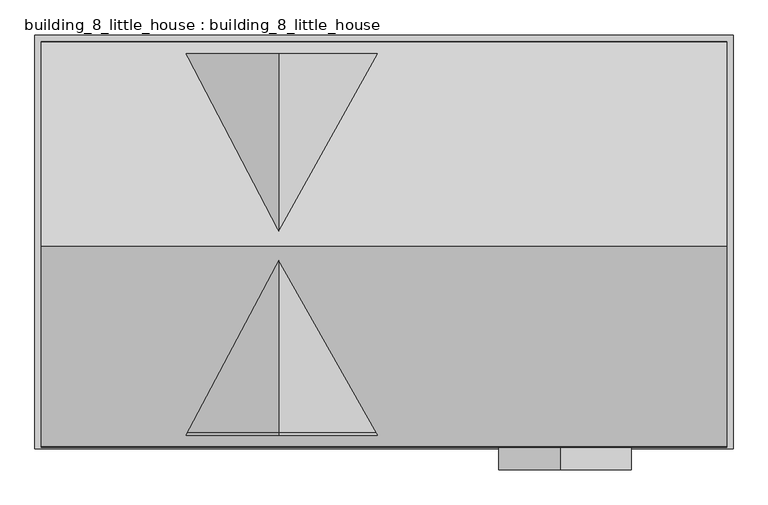
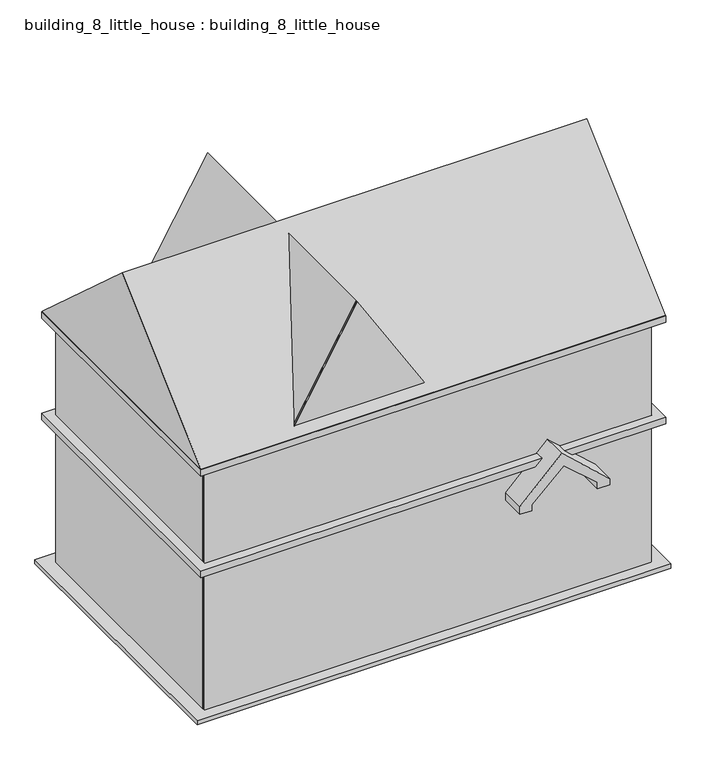
"""IFC4 building model written with IfcOpenShell, lengths in millimetres: proxy geometry, building_8_little_house : building_8_little_house."""

from ifc_helpers import new_model, si_unit, frame, origin, origin_with_axes, place, context, project, spatial, polyline, ellipse_curve, outline, extrude, source, transform, mapped, element, save
from ifc_brep_helpers import plane_surface, revolved_surface, advanced_brep


def building_8_little_house_building_8_little_house_346d8d11(model_context):
    return source(origin(), model_context, "Body", "SolidModel", [
        extrude(outline(polyline([(-5200.0, -3103.6080804), (-5200.0, 3061.196834), (5200.0, 3061.196834), (5200.0, -3103.6080804), (-5200.0, -3103.6080804)]), holes=[polyline([(5000.0, -2903.6080804), (5000.0, 2861.196834), (-5000.0, 2861.196834), (-5000.0, -2903.6080804), (5000.0, -2903.6080804)])]), frame((0.0, 0.0, 3431.8185781), z_axis=(0.0, 0.0, 1.0), x_axis=(1.0, 0.0, 0.0)), (0.0, 0.0, 1.0), 155.0),
        extrude(outline(polyline([(3823.7793411, 2673.2736896), (2890.39839, 1739.8927385), (2710.39839, 1739.8927385), (2710.39839, 1999.8927385), (2849.1572181, 1999.8927385), (3521.2965564, 2720.6739336), (2865.2375274, 3475.3835139), (2710.39839, 3475.3835139), (2710.39839, 3755.3835139), (2849.443279, 3755.3835139), (3823.7793411, 2673.2736896)])), frame((0.0, -3446.5161703, 0.0), z_axis=(0.0, 1.0, 0.0), x_axis=(0.0, 0.0, 1.0)), (0.0, 0.0, 1.0), 834.9561402),
        extrude(outline(polyline([(-5300.0, -3126.5161703), (-5300.0, 3161.196834), (5300.0, 3161.196834), (5300.0, -3126.5161703), (-5300.0, -3126.5161703)]), holes=[polyline([(-5000.0, 2861.196834), (-5000.0, -2826.5161703), (5000.0, -2826.5161703), (5000.0, 2861.196834), (-5000.0, 2861.196834)])]), origin_with_axes(), (0.0, 0.0, 1.0), 100.0),
        advanced_brep(
        [(-5000.0, -2903.6080804, 5731.8185781), (-5000.0, -2903.6080804, 5991.8185781), (5000.0, -2903.6080804, 5991.8185781), (5000.0, -2903.6080804, 5731.8185781), (-5200.0, -3103.6080804, 5831.8185781), (-5050.0, -2953.6080804, 5731.8185781), (5050.0, -2953.6080804, 5731.8185781), (5200.0, -3103.6080804, 5831.8185781), (-5200.0, -3103.6080804, 5991.8185781), (5200.0, -3103.6080804, 5991.8185781), (5000.0, 2861.196834, 5991.8185781), (5000.0, 2861.196834, 5731.8185781), (5050.0, 2911.196834, 5731.8185781), (5200.0, 3061.196834, 5831.8185781), (5200.0, 3061.196834, 5991.8185781), (-5000.0, 2861.196834, 5991.8185781), (-5000.0, 2861.196834, 5731.8185781), (-5050.0, 2911.196834, 5731.8185781), (-5200.0, 3061.196834, 5831.8185781), (-5200.0, 3061.196834, 5991.8185781)],
        [
            (0, 1),
            (1, 2),
            (2, 3),
            (3, 0),
            (4, 5, ellipse_curve(frame((-5180.7075594, -3084.3156398, 5698.2572391), z_axis=(-0.7071067811865475, 0.7071067811865475, 0.0), x_axis=(0.7071067811865476, 0.7071067811865474, 0.0)), 190.8445941, 134.9475066)),
            (5, 6),
            (6, 7, ellipse_curve(frame((5180.7075594, -3084.3156398, 5698.2572391), z_axis=(0.7071067811865475, 0.7071067811865475, 0.0), x_axis=(0.7071067811865476, -0.7071067811865474, 0.0)), 190.8445941, 134.9475066)),
            (7, 4),
            (8, 4),
            (7, 9),
            (9, 8),
            (2, 10),
            (10, 11),
            (11, 3),
            (6, 12),
            (12, 13, ellipse_curve(frame((5180.7075594, 3041.9043933, 5698.2572391), z_axis=(-0.7071067811865475, 0.7071067811865475, 0.0), x_axis=(0.7071067811865474, 0.7071067811865476, 0.0)), 190.8445941, 134.9475066)),
            (13, 7),
            (13, 14),
            (14, 9),
            (10, 15),
            (15, 16),
            (16, 11),
            (12, 17),
            (17, 18, ellipse_curve(frame((-5180.7075594, 3041.9043933, 5698.2572391), z_axis=(-0.7071067811865475, -0.7071067811865475, 0.0), x_axis=(-0.7071067811865476, 0.7071067811865474, 0.0)), 190.8445941, 134.9475066)),
            (18, 13),
            (18, 19),
            (19, 14),
            (15, 1),
            (0, 16),
            (5, 17),
            (4, 18),
            (8, 19),
        ],
        [
            plane_surface(frame((-5000.0, -2903.6080804, 5991.8185781), z_axis=(0.0, 1.0, 0.0), x_axis=(1.0, 0.0, 0.0))),
            revolved_surface(polyline([(5315.655066040905, -2949.3681332, 5698.2572391), (-5315.655066040904, -2949.3681332, 5698.2572391)]), (-5000.0, -3084.3156398, 5698.2572391), (1.0, 0.0, 0.0)),
            plane_surface(frame((-5200.0, -3103.6080804, 5831.8185781), z_axis=(0.0, -1.0, 0.0), x_axis=(1.0, 0.0, 0.0))),
            plane_surface(frame((5000.0, -2903.6080804, 5991.8185781), z_axis=(-1.0, 0.0, 0.0), x_axis=(0.0, 1.0, 0.0))),
            revolved_surface(polyline([(5045.7600528, 3176.851899940904, 5698.2572391), (5045.7600528, -3219.263146440904, 5698.2572391)]), (5180.7075594, -2903.6080804, 5698.2572391), (0.0, 1.0, 0.0)),
            plane_surface(frame((5200.0, -3103.6080804, 5831.8185781), z_axis=(1.0, 0.0, 0.0), x_axis=(0.0, 1.0, 0.0))),
            plane_surface(frame((5000.0, 2861.196834, 5991.8185781), z_axis=(0.0, -1.0, 0.0), x_axis=(-1.0, 0.0, 0.0))),
            revolved_surface(polyline([(-5315.655066040905, 2906.9568867, 5698.2572391), (5315.655066040904, 2906.9568867, 5698.2572391)]), (5000.0, 3041.9043933, 5698.2572391), (-1.0, 0.0, 0.0)),
            plane_surface(frame((5200.0, 3061.196834, 5831.8185781), z_axis=(0.0, 1.0, 0.0), x_axis=(-1.0, 0.0, 0.0))),
            plane_surface(frame((-5000.0, 2861.196834, 5991.8185781), z_axis=(1.0, 0.0, 0.0), x_axis=(0.0, -1.0, 0.0))),
            plane_surface(frame((-5000.0, 2861.196834, 5731.8185781), z_axis=(0.0, 0.0, -1.0), x_axis=(0.0, -1.0, 0.0))),
            revolved_surface(polyline([(-5045.7600528, -3219.2631464409037, 5698.2572391), (-5045.7600528, 3176.851899940904, 5698.2572391)]), (-5180.7075594, 2861.196834, 5698.2572391), (0.0, -1.0, 0.0)),
            plane_surface(frame((-5200.0, 3061.196834, 5831.8185781), z_axis=(-1.0, 0.0, 0.0), x_axis=(0.0, -1.0, 0.0))),
            plane_surface(frame((-5200.0, 3061.196834, 5991.8185781), z_axis=(0.0, 0.0, 1.0), x_axis=(0.0, -1.0, 0.0))),
        ],
        [
            (0, [[1, 2, 3, 4]]),
            (1, [[5, 6, 7, 8]]),
            (2, [[9, -8, 10, 11]]),
            (3, [[-3, 12, 13, 14]]),
            (4, [[-7, 15, 16, 17]]),
            (5, [[-10, -17, 18, 19]]),
            (6, [[-13, 20, 21, 22]]),
            (7, [[-16, 23, 24, 25]]),
            (8, [[-18, -25, 26, 27]]),
            (9, [[-21, 28, -1, 29]]),
            (10, [[30, -23, -15, -6], [-14, -22, -29, -4]]),
            (11, [[-24, -30, -5, 31]]),
            (12, [[-26, -31, -9, 32]]),
            (13, [[-19, -27, -32, -11], [-28, -20, -12, -2]]),
        ],
    ),
        extrude(outline(polyline([(6000.0, -3100.0), (6000.0, 0.0), (8598.0762114, -1600.0), (6000.0, -3100.0)])), frame((0.0, -2926.5161703, 0.0), z_axis=(0.0, 1.0, 0.0), x_axis=(0.0, 0.0, 1.0)), (0.0, 0.0, 1.0), 42.7225503),
        extrude(outline(polyline([(5000.0, -2826.5161703), (5000.0, -2890.3219779), (-5000.0, -2890.3219779), (-5000.0, -2826.5161703), (5000.0, -2826.5161703)])), origin_with_axes(), (0.0, 0.0, 1.0), 5931.8185781),
        extrude(outline(polyline([(-47.1401788, 8801.2617469), (3052.1449988, 6000.0), (-3094.7072941, 6000.0), (-47.1401788, 8801.2617469)])), frame((-5200.0, 0.0, 0.0), z_axis=(1.0, 0.0, 0.0), x_axis=(0.0, 1.0, 0.0)), (0.0, 0.0, 1.0), 10400.0),
        extrude(outline(polyline([(8598.0762114, -1600.0), (6000.0, -3100.0), (6000.0, 0.0), (8598.0762114, -1600.0)])), frame((0.0, -2890.3219779, 0.0), z_axis=(0.0, 1.0, 0.0), x_axis=(0.0, 0.0, 1.0)), (0.0, 0.0, 1.0), 5764.8049144),
        extrude(outline(polyline([(5000.0, -2826.5161703), (-5000.0, -2826.5161703), (-5000.0, 2874.4829365), (5000.0, 2874.4829365), (5000.0, -2826.5161703)])), origin_with_axes(), (0.0, 0.0, 1.0), 6000.0),
    ])


if __name__ == "__main__":
    model = new_model("IFC4")
    model_context = context("Model", 3, world=origin())
    ifc_project = project(units=[si_unit("LENGTHUNIT", "METRE", prefix="MILLI")], contexts=[model_context])
    site = spatial("IfcSite", under=ifc_project)
    building = spatial("IfcBuilding", under=site)
    placement = place(None, origin())
    building_8_little_house_building_8_little_house_shape = building_8_little_house_building_8_little_house_346d8d11(model_context)
    element("IfcBuildingElementProxy", 1, Name="building_8_little_house : building_8_little_house", ObjectType="building_8_little_house : building_8_little_house", at=placement, inside=building, context=model_context, shape_type="MappedRepresentation", body=[
        mapped(building_8_little_house_building_8_little_house_shape, transform((0.0, 0.0, 0.0), x_axis=(1.0, 0.0, 0.0), y_axis=(0.0, 1.0, 0.0), z_axis=(0.0, 0.0, 1.0))),
    ])
    save(model, "model.ifc")
